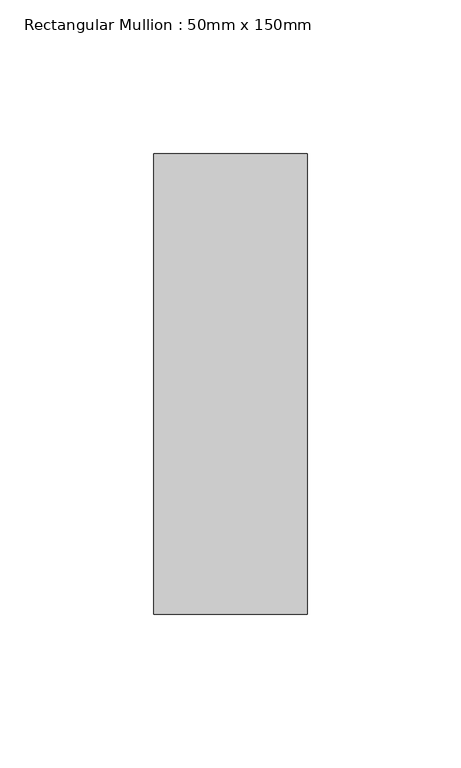
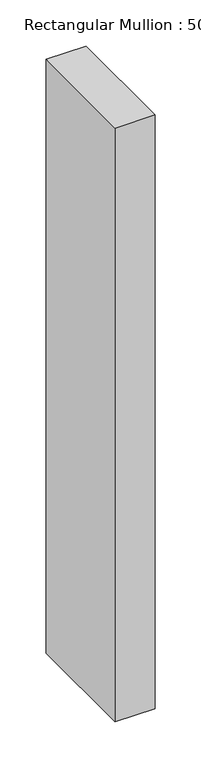
"""IFC4 building model written with IfcOpenShell, lengths in millimetres: member geometry, Rectangular Mullion : 50mm x 150mm."""

from ifc_helpers import new_model, si_unit, frame, origin, place, context, project, spatial, polyline, outline, extrude, source, transform, mapped, element, save


def rectangular_mullion_50mm_x_150mm_2b6dee53(model_context):
    return source(origin(), model_context, "Body", "SweptSolid", [
        extrude(outline(polyline([(0.0, 75.0), (0.0, -75.0), (-50.0, -75.0), (-50.0, 75.0), (0.0, 75.0)])), frame((0.0, 0.0, -786.0), z_axis=(0.0, 0.0, 1.0), x_axis=(1.0, 0.0, 0.0)), (0.0, 0.0, 1.0), 786.0),
    ])


if __name__ == "__main__":
    model = new_model("IFC4")
    model_context = context("Model", 3, world=origin())
    ifc_project = project(units=[si_unit("LENGTHUNIT", "METRE", prefix="MILLI")], contexts=[model_context])
    site = spatial("IfcSite", under=ifc_project)
    building = spatial("IfcBuilding", under=site)
    placement = place(None, origin())
    rectangular_mullion_50mm_x_150mm_shape = rectangular_mullion_50mm_x_150mm_2b6dee53(model_context)
    element("IfcMember", 1, ObjectType="Rectangular Mullion : 50mm x 150mm", at=placement, inside=building, context=model_context, shape_type="MappedRepresentation", body=[
        mapped(rectangular_mullion_50mm_x_150mm_shape, transform((0.0, 0.0, 0.0), x_axis=(1.0, 0.0, 0.0), y_axis=(0.0, 1.0, 0.0), z_axis=(0.0, 0.0, 1.0))),
    ])
    save(model, "model.ifc")
